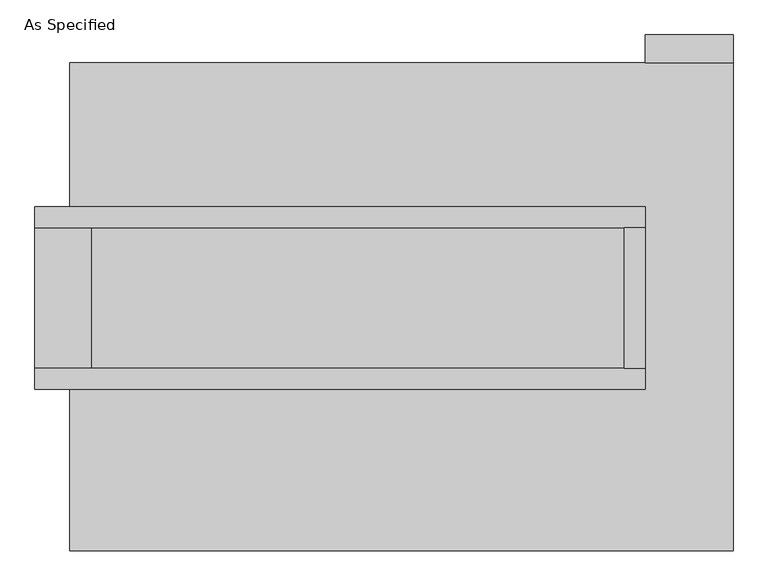
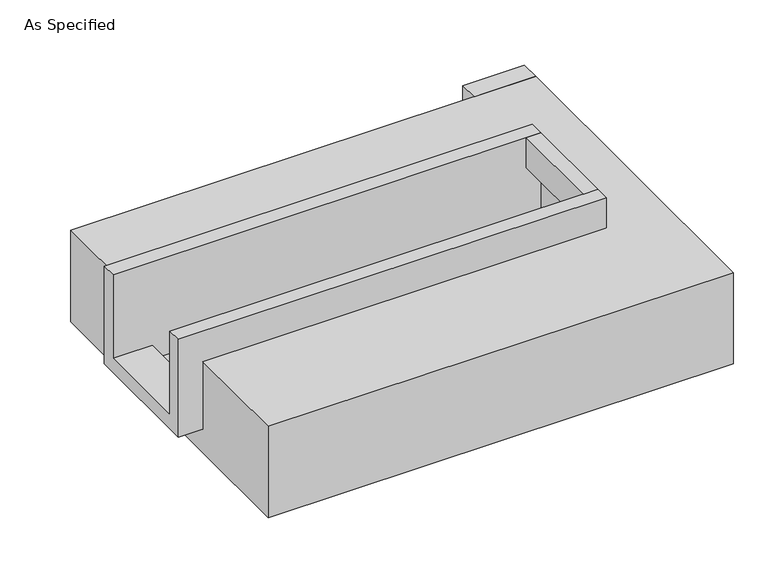
"""IFC4 building model written with IfcOpenShell, lengths in millimetres: proxy geometry, As Specified."""

from ifc_helpers import new_model, si_unit, frame, origin, place, context, project, spatial, polyline, outline, extrude, faceted_brep, source, transform, mapped, element, save


def as_specified_6912e601(model_context):
    return source(origin(), model_context, "Body", "SolidModel", [
        extrude(outline(polyline([(1276.35, 882.65), (958.85, 882.65), (958.85, 984.25), (1276.35, 984.25), (1276.35, 882.65)])), frame((0.0, 0.0, -523.9742188), z_axis=(0.0, 0.0, 1.0), x_axis=(1.0, 0.0, 0.0)), (0.0, 0.0, 1.0), 498.5742188),
        extrude(outline(polyline([(882.65, 285.75), (958.85, 285.75), (958.85, -222.25), (882.65, -222.25), (882.65, 285.75)])), frame((0.0, 0.0, -25.4), z_axis=(0.0, 0.0, 1.0), x_axis=(1.0, 0.0, 0.0)), (0.0, 0.0, 1.0), 165.1),
        faceted_brep([(958.85, 285.75, 139.7), (958.85, 285.75, -317.5), (958.85, -222.25, -317.5), (958.85, -222.25, 139.7), (958.85, -298.45, 139.7), (958.85, -298.45, -393.7), (958.85, 361.95, -393.7), (958.85, 361.95, 139.7), (-1250.95, 285.75, 139.7), (-1250.95, 361.95, 139.7), (-1250.95, 361.95, -393.7), (-1250.95, -298.45, -393.7), (-1250.95, -298.45, 139.7), (-1250.95, -222.25, 139.7), (-1250.95, -222.25, -317.5), (-1250.95, 285.75, -317.5), (-1047.75, 285.75, -393.7), (-1047.75, -222.25, -393.7), (882.65, -222.25, -393.7), (882.65, 285.75, -393.7), (882.65, -222.25, -317.5), (-1047.75, -222.25, -317.5), (882.65, 285.75, -317.5), (-1047.75, 285.75, -317.5)], [[[0, 1, 2, 3, 4, 5, 6, 7]], [[8, 9, 10, 11, 12, 13, 14, 15]], [[0, 7, 9, 8]], [[7, 6, 10, 9]], [[6, 5, 11, 10], [16, 17, 18, 19]], [[4, 3, 13, 12]], [[3, 2, 20, 18, 17, 21, 14, 13]], [[2, 1, 22, 20]], [[15, 14, 21, 23]], [[1, 0, 8, 15, 23, 16, 19, 22]], [[21, 17, 16, 23]], [[18, 20, 22, 19]], [[5, 4, 12, 11]]]),
        faceted_brep([(1276.35, 882.65, -523.9742188), (1276.35, -882.65, -523.9742188), (-1123.95, -882.65, -523.9742188), (-1123.95, 882.65, -523.9742188), (-1123.95, 882.65, -25.4), (-1123.95, 361.95, -25.4), (958.85, 361.95, -25.4), (958.85, -298.45, -25.4), (-1123.95, -298.45, -25.4), (-1123.95, -882.65, -25.4), (1276.35, -882.65, -25.4), (1276.35, 882.65, -25.4), (-1123.95, -298.45, -393.7), (-1123.95, 361.95, -393.7), (958.85, 361.95, -393.7), (958.85, -298.45, -393.7)], [[[0, 1, 2, 3]], [[4, 5, 6, 7, 8, 9, 10, 11]], [[0, 3, 4, 11]], [[4, 3, 2, 9, 8, 12, 13, 5]], [[2, 1, 10, 9]], [[14, 15, 7, 6]], [[13, 14, 6, 5]], [[15, 14, 13, 12]], [[15, 12, 8, 7]], [[1, 0, 11, 10]]]),
    ])


if __name__ == "__main__":
    model = new_model("IFC4")
    model_context = context("Model", 3, world=origin())
    ifc_project = project(units=[si_unit("LENGTHUNIT", "METRE", prefix="MILLI")], contexts=[model_context])
    site = spatial("IfcSite", under=ifc_project)
    building = spatial("IfcBuilding", under=site)
    placement = place(None, origin())
    as_specified_shape = as_specified_6912e601(model_context)
    element("IfcBuildingElementProxy", 1, Name="As Specified", ObjectType="As Specified", at=placement, inside=building, context=model_context, shape_type="MappedRepresentation", body=[
        mapped(as_specified_shape, transform((0.0, 0.0, 0.0), x_axis=(1.0, 0.0, 0.0), y_axis=(0.0, 1.0, 0.0), z_axis=(0.0, 0.0, 1.0))),
    ])
    save(model, "model.ifc")
